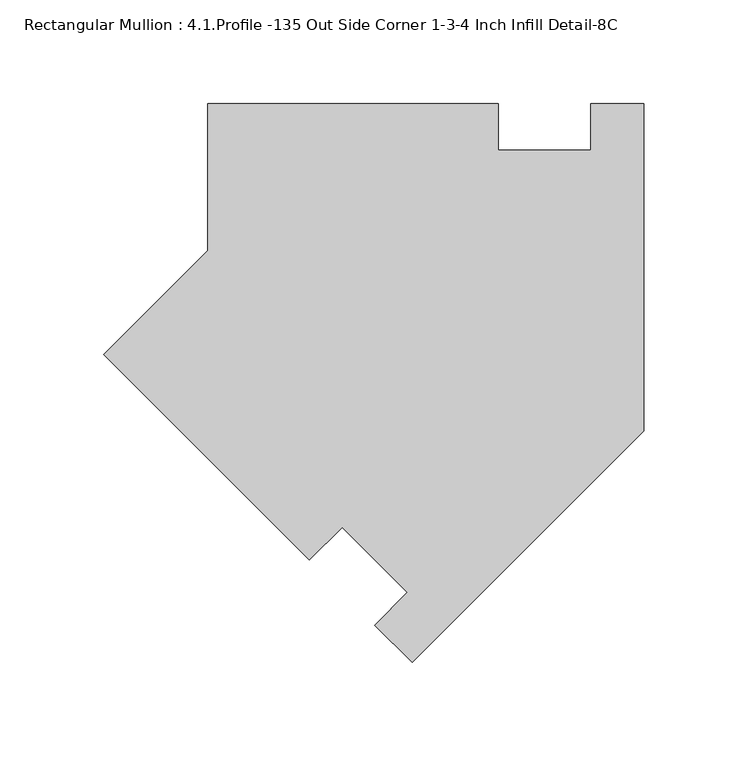
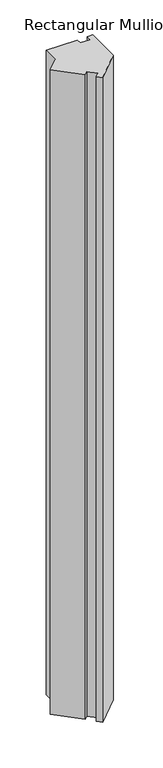
"""IFC4 building model written with IfcOpenShell, lengths in millimetres: member geometry, Rectangular Mullion : 4.1.Profile -135 Out Side Corner 1-3-4 Inch Infill Detail-8C."""

from ifc_helpers import new_model, si_unit, frame, origin, place, context, project, spatial, polyline, outline, extrude, source, transform, mapped, element, save


def rectangular_mullion_4_1_profile_135_out_side_corner_1_3_4_d2daa7e7(model_context):
    return source(origin(), model_context, "Body", "SweptSolid", [
        extrude(outline(polyline([(-209.5499894, 30.4040914), (-209.5499894, 101.0478353), (-69.851465, 101.0478353), (-69.851465, 78.8229546), (-25.3963953, 78.8229546), (-25.3963953, 101.0478414), (0.0, 101.0478414), (0.0, -56.3943641), (-111.3284428, -167.722807), (-129.2889551, -149.7622947), (-113.5735857, -134.0469253), (-145.0044821, -102.6160289), (-160.7198502, -118.331397), (-259.502664, -19.5485833), (-209.5499894, 30.4040914)])), frame((0.0, 0.0, -3048.0), z_axis=(0.0, 0.0, 1.0), x_axis=(1.0, 0.0, 0.0)), (0.0, 0.0, 1.0), 3048.0),
    ])


if __name__ == "__main__":
    model = new_model("IFC4")
    model_context = context("Model", 3, world=origin())
    ifc_project = project(units=[si_unit("LENGTHUNIT", "METRE", prefix="MILLI")], contexts=[model_context])
    site = spatial("IfcSite", under=ifc_project)
    building = spatial("IfcBuilding", under=site)
    placement = place(None, origin())
    rectangular_mullion_4_1_profile_135_out_side_corner_1_3_4_shape = rectangular_mullion_4_1_profile_135_out_side_corner_1_3_4_d2daa7e7(model_context)
    element("IfcMember", 1, ObjectType="Rectangular Mullion : 4.1.Profile -135 Out Side Corner 1-3-4 Inch Infill Detail-8C", at=placement, inside=building, context=model_context, shape_type="MappedRepresentation", body=[
        mapped(rectangular_mullion_4_1_profile_135_out_side_corner_1_3_4_shape, transform((0.0, 0.0, 0.0), x_axis=(1.0, 0.0, 0.0), y_axis=(0.0, 1.0, 0.0), z_axis=(0.0, 0.0, 1.0))),
    ])
    save(model, "model.ifc")
